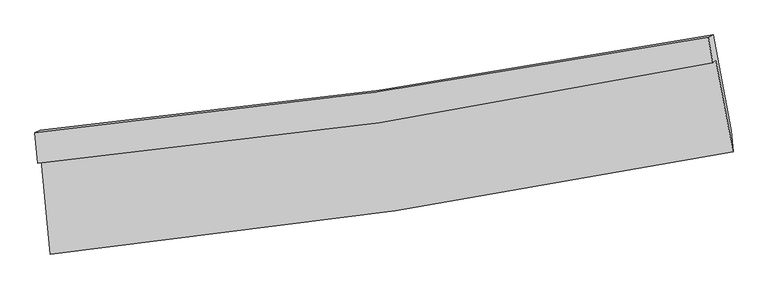
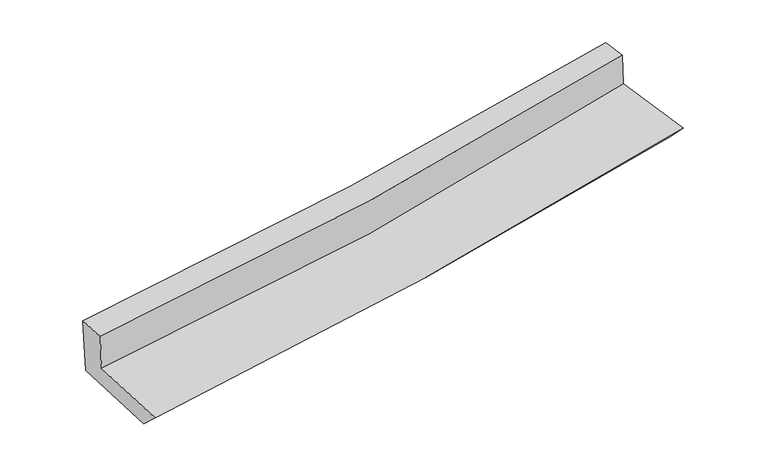
"""IFC4 building model written with IfcOpenShell, lengths in millimetres: proxy geometry."""

from ifc_helpers import new_model, si_unit, frame, origin, place, context, project, spatial, source, transform, mapped, element, save
from ifc_brep_helpers import plane_surface, spline_curve, spline_surface, advanced_brep


def generic_models_2a19e14c(model_context):
    return source(origin(), model_context, "Body", "AdvancedBrep", [
        advanced_brep(
        [(-2288.5754386, -1841.1613232, 1743.7168807), (-2226.2675892, -2469.5423065, 1687.2408776), (2343.7242651, -1785.5898963, 2096.1371834), (2227.8890244, -1168.6364054, 2134.460739), (-2310.1541486, -1862.9606234, 2029.4309567), (2208.3680538, -1188.3569308, 2392.9292059), (-2330.181099, -1657.405075, 2043.6018068), (2176.2221711, -1017.1437976, 2403.5645231), (-2295.6708246, -1642.2525213, 1608.5778971), (2209.5309306, -1002.959824, 2002.1967462), (-2228.7671205, -2316.9831651, 1547.9361989), (2331.2097683, -1644.5643515, 1948.7523236)],
        [
            (0, 1),
            (1, 2, spline_curve(3, [(-2226.2675892, -2469.5423065, 1687.2408776), (-1453.492663397, -2391.473876121, 1746.558781339), (-683.945650155, -2294.979577505, 1810.530894292), (839.306378927, -2066.546830699, 1946.942977992), (1593.089983709, -1935.056992442, 2019.269633243), (2343.7242651, -1785.5898963, 2096.1371834)], [4, 2, 4], [0.0, 7.614075706635314, 15.134891272175587])),
            (2, 3),
            (3, 0, spline_curve(3, [(2227.8890244, -1168.6364054, 2134.460739), (1488.062602966, -1323.064510511, 2048.120400249), (744.122040026, -1456.109546541, 1972.522284218), (-761.263448682, -1680.818118759, 1842.006266814), (-1522.811040265, -1771.948055254, 1787.356429988), (-2288.5754386, -1841.1613232, 1743.7168807)], [4, 2, 4], [0.0, 7.520815565540272, 15.134891272175587])),
            (4, 0),
            (3, 5),
            (5, 4, spline_curve(3, [(2208.3680538, -1188.3569308, 2392.9292059), (1467.295565694, -1344.043840665, 2323.087480985), (722.558758731, -1477.893260321, 2258.032076163), (-783.523868304, -1703.306097209, 2136.746553935), (-1544.961128774, -1794.32457504, 2080.635875564), (-2310.1541486, -1862.9606234, 2029.4309567)], [4, 2, 4], [0.0, 7.475889878162451, 15.044482806781682])),
            (6, 4),
            (5, 7),
            (7, 6, spline_curve(3, [(2176.2221711, -1017.1437976, 2403.5645231), (1435.280078935, -1157.335408424, 2334.914900772), (691.606375282, -1280.562730575, 2270.750227881), (-810.45988267, -1494.406488299, 2150.650737059), (-1568.920602326, -1584.599591847, 2094.827837745), (-2330.181099, -1657.405075, 2043.6018068)], [4, 2, 4], [0.0, 7.460918113328749, 15.014353623193017])),
            (8, 6),
            (7, 9),
            (9, 8, spline_curve(3, [(2209.5309306, -1002.959824, 2002.1967462), (1468.6839312, -1143.053636837, 1929.520581879), (725.1569631, -1266.152035465, 1860.560012708), (-776.510078545, -1479.673710155, 1729.261009621), (-1534.717028789, -1569.672877229, 1667.015295607), (-2295.6708246, -1642.2525213, 1608.5778971)], [4, 2, 4], [0.0, 7.447332506032501, 14.987013943406517])),
            (10, 8),
            (9, 11),
            (11, 10, spline_curve(3, [(2331.2097683, -1644.5643515, 1948.7523236), (1581.47620706, -1788.856623433, 1875.03169921), (828.970064137, -1916.793781184, 1804.95327785), (-690.953044188, -2141.34151645, 1671.257014329), (-1458.439197767, -2237.54396294, 1607.730060797), (-2228.7671205, -2316.9831651, 1547.9361989)], [4, 2, 4], [0.0, 7.496807694694812, 15.086577826412158])),
            (1, 10),
            (11, 2),
        ],
        [
            spline_surface(3, 3, [[(-2288.5754386, -1841.1613232, 1743.7168807), (-1522.811040163, -1771.94805535, 1787.356430046), (-761.263448725, -1680.818118782, 1842.006266769), (744.122040069, -1456.109546518, 1972.522284263), (1488.062602953, -1323.064510513, 2048.120400273), (2227.8890244, -1168.6364054, 2134.460739)], [(-2267.806155444, -2050.621650973, 1724.891546348), (-1499.704914546, -1978.456662243, 1773.757213797), (-735.490849169, -1885.53860502, 1831.514475996), (775.850153, -1659.58864126, 1963.99584881), (1523.071729866, -1527.062004531, 2038.503477941), (2266.500771317, -1374.287569034, 2121.686220443)], [(-2247.036872356, -2260.081978727, 1706.066211952), (-1476.598788996, -2184.965269118, 1760.157997503), (-709.71824963, -2090.259091239, 1821.022685189), (807.578265915, -1863.067735984, 1955.469413322), (1558.080856729, -1731.059498546, 2028.88655568), (2305.112518183, -1579.938732666, 2108.911701957)], [(-2226.2675892, -2469.5423065, 1687.2408776), (-1453.492663378, -2391.473876011, 1746.558781254), (-683.945650073, -2294.979577477, 1810.530894417), (839.306378847, -2066.546830726, 1946.942977869), (1593.089983642, -1935.056992564, 2019.269633349), (2343.7242651, -1785.5898963, 2096.1371834)]], [4, 4], [4, 2, 4], [0.0, 2.0308778314560794], [0.0, 7.614075706635314, 15.134891272175587]),
            spline_surface(3, 3, [[(-2310.1541486, -1862.9606234, 2029.4309567), (-1544.961128787, -1794.324575141, 2080.635875602), (-783.523868249, -1703.30609724, 2136.746553854), (722.558758676, -1477.89326029, 2258.032076243), (1467.295565627, -1344.043840663, 2323.087481005), (2208.3680538, -1188.3569308, 2392.9292059)], [(-2302.961245272, -1855.694189998, 1934.192931378), (-1537.577765918, -1786.865735208, 1982.876060428), (-776.10372843, -1695.810104401, 2038.499791485), (729.746519118, -1470.632022347, 2162.862145576), (1474.217911414, -1337.050730599, 2231.43178743), (2214.875044011, -1181.78342232, 2306.773050269)], [(-2295.768341928, -1848.427756602, 1838.954906022), (-1530.194403032, -1779.406895282, 1885.11624522), (-768.683588544, -1688.31411162, 1940.253029138), (736.934279627, -1463.370784462, 2067.69221493), (1481.140257166, -1330.057620577, 2139.776093848), (2221.382034189, -1175.20991388, 2220.616894631)], [(-2288.5754386, -1841.1613232, 1743.7168807), (-1522.811040163, -1771.94805535, 1787.356430046), (-761.263448725, -1680.818118782, 1842.006266769), (744.122040069, -1456.109546518, 1972.522284263), (1488.062602953, -1323.064510513, 2048.120400273), (2227.8890244, -1168.6364054, 2134.460739)]], [4, 4], [4, 2, 4], [0.0, 0.957508765252448], [0.0, 7.568592928619231, 15.044482806781682]),
            spline_surface(3, 3, [[(-2330.181099, -1657.405075, 2043.6018068), (-1568.920602288, -1584.599591924, 2094.827837667), (-810.459882651, -1494.406488373, 2150.650737019), (691.606375263, -1280.562730501, 2270.750227921), (1435.280078955, -1157.335408306, 2334.914900676), (2176.2221711, -1017.1437976, 2403.5645231)], [(-2323.505448859, -1725.923591123, 2038.878190087), (-1560.934111113, -1654.507919653, 2090.097183632), (-801.48121116, -1564.039691327, 2146.0160093), (701.923836425, -1346.339573762, 2266.510844031), (1445.951907823, -1219.571552439, 2330.972427469), (2186.937465311, -1074.214842015, 2400.019417383)], [(-2316.829798741, -1794.442107277, 2034.154573413), (-1552.947619962, -1724.416247412, 2085.366529636), (-792.50253974, -1633.672894286, 2141.381281573), (712.241297514, -1412.116417029, 2262.271460133), (1456.623736759, -1281.807696529, 2327.029954212), (2197.652759589, -1131.285886385, 2396.474311617)], [(-2310.1541486, -1862.9606234, 2029.4309567), (-1544.961128787, -1794.324575141, 2080.635875602), (-783.523868249, -1703.30609724, 2136.746553854), (722.558758676, -1477.89326029, 2258.032076243), (1467.295565627, -1344.043840663, 2323.087481005), (2208.3680538, -1188.3569308, 2392.9292059)]], [4, 4], [4, 2, 4], [0.0, 0.6747546101508515], [0.0, 7.553435509864268, 15.014353623193017]),
            spline_surface(3, 3, [[(-2295.6708246, -1642.2525213, 1608.5778971), (-1534.717028711, -1569.672877179, 1667.015295691), (-776.510078548, -1479.673710069, 1729.261009587), (725.156963103, -1266.15203555, 1860.560012742), (1468.683931306, -1143.053636864, 1929.520581835), (2209.5309306, -1002.959824, 2002.1967462)], [(-2307.174249398, -1647.303372558, 1753.585867015), (-1546.118219901, -1574.648448786, 1809.619476365), (-787.826679917, -1484.584636183, 1869.724252068), (713.973433822, -1270.955600546, 1997.290084473), (1457.54931386, -1147.814227328, 2064.652021439), (2198.428010771, -1007.687815183, 2135.986005156)], [(-2318.677674202, -1652.354223742, 1898.593836885), (-1557.519411098, -1579.624020318, 1952.223656993), (-799.143281282, -1489.49556226, 2010.187494537), (702.789904544, -1275.759165505, 2134.020156191), (1446.414696401, -1152.574817842, 2199.783461073), (2187.325090929, -1012.415806417, 2269.775264144)], [(-2330.181099, -1657.405075, 2043.6018068), (-1568.920602288, -1584.599591924, 2094.827837667), (-810.459882651, -1494.406488373, 2150.650737019), (691.606375263, -1280.562730501, 2270.750227921), (1435.280078955, -1157.335408306, 2334.914900676), (2176.2221711, -1017.1437976, 2403.5645231)]], [4, 4], [4, 2, 4], [0.0, 1.3696883867194702], [0.0, 7.539681437374016, 14.987013943406517]),
            spline_surface(3, 3, [[(-2228.7671205, -2316.9831651, 1547.9361989), (-1458.439197699, -2237.543963024, 1607.730060759), (-690.95304424, -2141.34151633, 1671.257014323), (828.970064188, -1916.793781303, 1804.953277856), (1581.476206979, -1788.856623409, 1875.031699225), (2331.2097683, -1644.5643515, 1948.7523236)], [(-2251.068355208, -2092.072950499, 1568.150098276), (-1483.865141378, -2014.920267742, 1627.491805712), (-719.472055686, -1920.7855809, 1690.591679387), (794.36569715, -1699.913199376, 1823.488856128), (1543.878781755, -1573.588961215, 1893.19466011), (2290.650155734, -1430.696175653, 1966.567131148)], [(-2273.369589892, -1867.162735901, 1588.363997724), (-1509.291085032, -1792.296572461, 1647.253550737), (-747.991067102, -1700.229645499, 1709.926344522), (759.761330141, -1483.032617477, 1842.02443447), (1506.28135653, -1358.321299059, 1911.35762095), (2250.090543166, -1216.827999847, 1984.381938652)], [(-2295.6708246, -1642.2525213, 1608.5778971), (-1534.717028711, -1569.672877179, 1667.015295691), (-776.510078548, -1479.673710069, 1729.261009587), (725.156963103, -1266.15203555, 1860.560012742), (1468.683931306, -1143.053636864, 1929.520581835), (2209.5309306, -1002.959824, 2002.1967462)]], [4, 4], [4, 2, 4], [0.0, 2.1831785759701634], [0.0, 7.589770131717346, 15.086577826412158]),
            spline_surface(3, 3, [[(-2226.2675892, -2469.5423065, 1687.2408776), (-1453.492663378, -2391.473876011, 1746.558781254), (-683.945650073, -2294.979577477, 1810.530894417), (839.306378847, -2066.546830726, 1946.942977869), (1593.089983642, -1935.056992564, 2019.269633349), (2343.7242651, -1785.5898963, 2096.1371834)], [(-2227.100766319, -2418.689259349, 1640.805984695), (-1455.141508171, -2340.163904998, 1700.282541084), (-686.281448125, -2243.76689044, 1764.10626773), (835.860940631, -2016.629147597, 1899.613077876), (1589.218724744, -1886.323536207, 1971.190321974), (2339.552766156, -1738.581381394, 2047.0088968)], [(-2227.933943381, -2367.836212251, 1594.371091805), (-1456.790352907, -2288.853934038, 1654.006300929), (-688.617246188, -2192.554203367, 1717.681641009), (832.415502404, -1966.711464431, 1852.283177849), (1585.347465877, -1837.590079766, 1923.111010599), (2335.381267244, -1691.572866406, 1997.8806102)], [(-2228.7671205, -2316.9831651, 1547.9361989), (-1458.439197699, -2237.543963024, 1607.730060759), (-690.95304424, -2141.34151633, 1671.257014323), (828.970064188, -1916.793781303, 1804.953277856), (1581.476206979, -1788.856623409, 1875.031699225), (2331.2097683, -1644.5643515, 1948.7523236)]], [4, 4], [4, 2, 4], [0.0, 0.6792702777134271], [0.0, 7.64904021774639, 15.20439203555646]),
            plane_surface(frame((2249.4907022, -1301.2085343, 2163.0067869), z_axis=(0.9800185009552704, 0.17855803566918957, 0.08763997765486471), x_axis=(-0.08265258096306893, -0.03519620785341931, 0.995956714828954))),
            plane_surface(frame((-2279.9360368, -1965.0508358, 1776.7507696), z_axis=(-0.9924726236028655, -0.09104864040057199, -0.08190382457524532), x_axis=(-0.09827999755430397, 0.991163746333008, 0.08908125524397859))),
        ],
        [
            (0, [[1, 2, 3, 4]]),
            (1, [[5, -4, 6, 7]]),
            (2, [[8, -7, 9, 10]]),
            (3, [[11, -10, 12, 13]]),
            (4, [[14, -13, 15, 16]]),
            (5, [[17, -16, 18, -2]]),
            (6, [[-12, -9, -6, -3, -18, -15]]),
            (7, [[-1, -5, -8, -11, -14, -17]]),
        ],
    ),
    ])


if __name__ == "__main__":
    model = new_model("IFC4")
    model_context = context("Model", 3, world=origin())
    ifc_project = project(units=[si_unit("LENGTHUNIT", "METRE", prefix="MILLI")], contexts=[model_context])
    site = spatial("IfcSite", under=ifc_project)
    building = spatial("IfcBuilding", under=site)
    placement = place(None, origin())
    generic_models_shape = generic_models_2a19e14c(model_context)
    element("IfcBuildingElementProxy", 1, Name="Generic Models", at=placement, inside=building, context=model_context, shape_type="MappedRepresentation", body=[
        mapped(generic_models_shape, transform((0.0, 0.0, 0.0), x_axis=(1.0, 0.0, 0.0), y_axis=(0.0, 1.0, 0.0), z_axis=(0.0, 0.0, 1.0))),
    ])
    save(model, "model.ifc")
